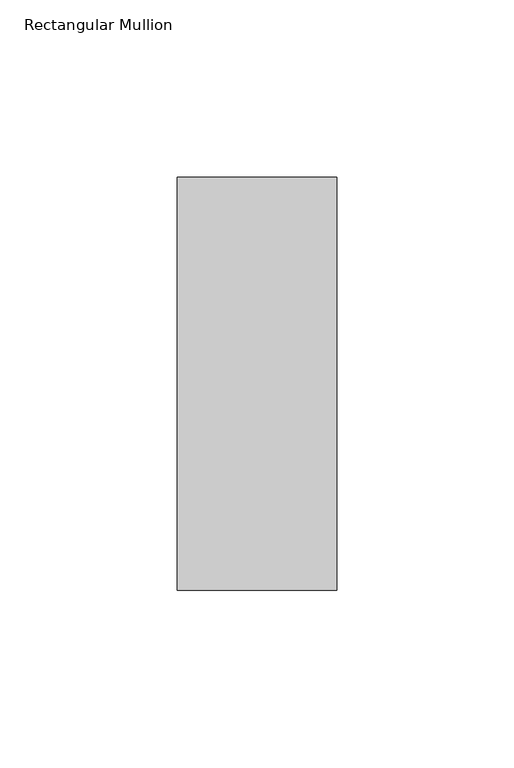
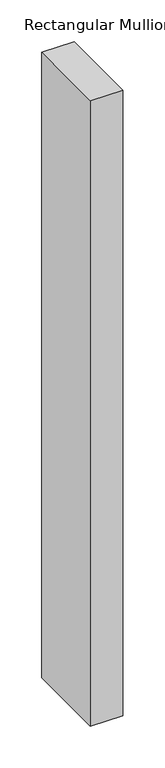
"""IFC4 building model written with IfcOpenShell, lengths in millimetres: member geometry, Rectangular Mullion."""

from ifc_helpers import new_model, si_unit, frame, origin, place, context, project, spatial, polyline, outline, extrude, source, transform, mapped, element, save


def rectangular_mullion_d3aab647(model_context):
    return source(origin(), model_context, "Body", "SweptSolid", [
        extrude(outline(polyline([(0.0, 73.875), (0.0, -42.8257813), (-45.0453125, -42.8257813), (-45.0453125, 73.875), (0.0, 73.875)])), frame((0.0, 0.0, -915.7171325), z_axis=(0.0, 0.0, 1.0), x_axis=(1.0, 0.0, 0.0)), (0.0, 0.0, 1.0), 915.7171325),
    ])


if __name__ == "__main__":
    model = new_model("IFC4")
    model_context = context("Model", 3, world=origin())
    ifc_project = project(units=[si_unit("LENGTHUNIT", "METRE", prefix="MILLI")], contexts=[model_context])
    site = spatial("IfcSite", under=ifc_project)
    building = spatial("IfcBuilding", under=site)
    placement = place(None, origin())
    rectangular_mullion_shape = rectangular_mullion_d3aab647(model_context)
    element("IfcMember", 1, ObjectType="Rectangular Mullion", at=placement, inside=building, context=model_context, shape_type="MappedRepresentation", body=[
        mapped(rectangular_mullion_shape, transform((0.0, 0.0, 0.0), x_axis=(1.0, 0.0, 0.0), y_axis=(0.0, 1.0, 0.0), z_axis=(0.0, 0.0, 1.0))),
    ])
    save(model, "model.ifc")
